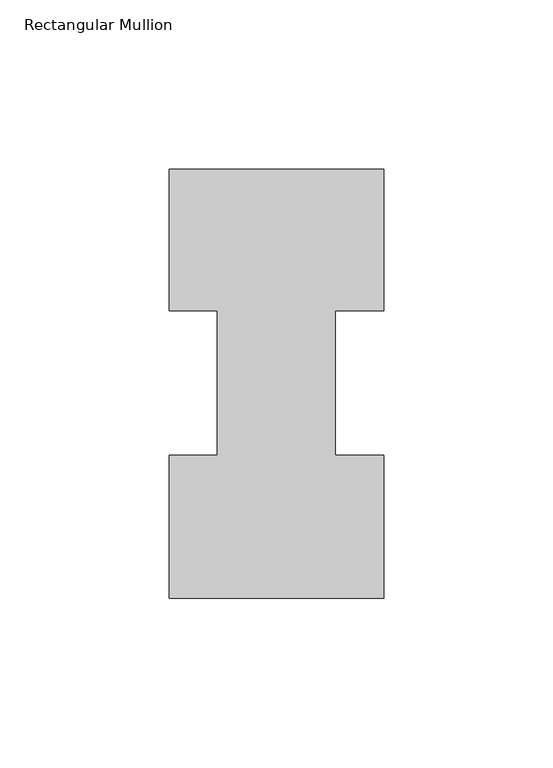
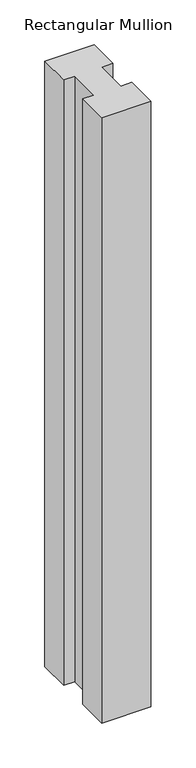
"""IFC4 building model written with IfcOpenShell, lengths in millimetres: member geometry, Rectangular Mullion."""

from ifc_helpers import new_model, si_unit, frame, origin, place, context, project, spatial, polyline, outline, extrude, source, transform, mapped, element, save


def rectangular_mullion_5f0489b3(model_context):
    return source(origin(), model_context, "Body", "SweptSolid", [
        extrude(outline(polyline([(17.4683074, 85.1296875), (17.4683074, 42.2798875), (31.7494574, 42.2798875), (31.7494574, -0.0111125), (-31.75, -0.0111125), (-31.75, 42.2798875), (-17.4644974, 42.2798875), (-17.4644974, 85.1296875), (-31.75, 85.1296875), (-31.75, 126.9888875), (31.75, 126.9888875), (31.75, 85.1296875), (17.4683074, 85.1296875)])), frame((0.0, 0.0, -825.2520417), z_axis=(0.0, 0.0, 1.0), x_axis=(1.0, 0.0, 0.0)), (0.0, 0.0, 1.0), 825.2520417),
    ])


if __name__ == "__main__":
    model = new_model("IFC4")
    model_context = context("Model", 3, world=origin())
    ifc_project = project(units=[si_unit("LENGTHUNIT", "METRE", prefix="MILLI")], contexts=[model_context])
    site = spatial("IfcSite", under=ifc_project)
    building = spatial("IfcBuilding", under=site)
    placement = place(None, origin())
    rectangular_mullion_shape = rectangular_mullion_5f0489b3(model_context)
    element("IfcMember", 1, ObjectType="Rectangular Mullion", at=placement, inside=building, context=model_context, shape_type="MappedRepresentation", body=[
        mapped(rectangular_mullion_shape, transform((0.0, 0.0, 0.0), x_axis=(1.0, 0.0, 0.0), y_axis=(0.0, 1.0, 0.0), z_axis=(0.0, 0.0, 1.0))),
    ])
    save(model, "model.ifc")
